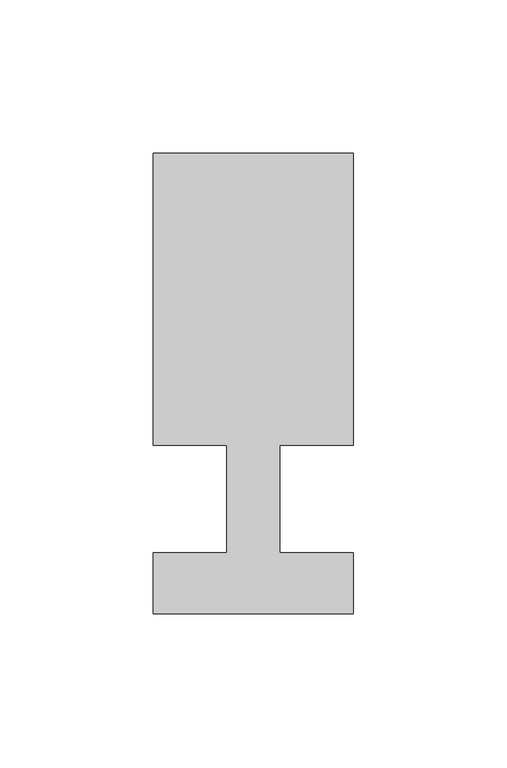
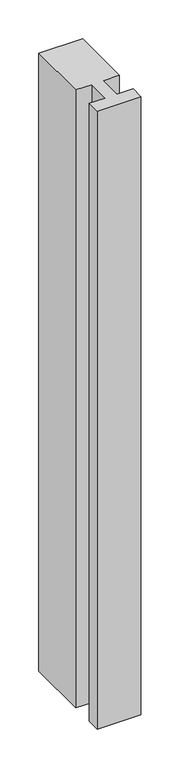
"""IFC4 building model written with IfcOpenShell, lengths in millimetres: member geometry."""

from ifc_helpers import new_model, si_unit, frame, origin, place, context, project, spatial, polyline, outline, extrude, source, transform, mapped, element, save


def member_ad4a1438(model_context):
    return source(origin(), model_context, "Body", "SweptSolid", [
        extrude(outline(polyline([(-65.0, -37.0), (-65.0, -17.0), (-41.1875, -17.0), (-41.1875, 18.0), (-65.0, 18.0), (-65.0, 113.0), (0.0, 113.0), (0.0, 18.0), (-23.8125, 18.0), (-23.8125, -17.0), (0.0, -17.0), (0.0, -37.0), (-65.0, -37.0)])), frame((0.0, 0.0, -971.5982143), z_axis=(0.0, 0.0, 1.0), x_axis=(1.0, 0.0, 0.0)), (0.0, 0.0, 1.0), 971.5982143),
    ])


if __name__ == "__main__":
    model = new_model("IFC4")
    model_context = context("Model", 3, world=origin())
    ifc_project = project(units=[si_unit("LENGTHUNIT", "METRE", prefix="MILLI")], contexts=[model_context])
    site = spatial("IfcSite", under=ifc_project)
    building = spatial("IfcBuilding", under=site)
    placement = place(None, origin())
    member_shape = member_ad4a1438(model_context)
    element("IfcMember", 1, at=placement, inside=building, context=model_context, shape_type="MappedRepresentation", body=[
        mapped(member_shape, transform((0.0, 0.0, 0.0), x_axis=(1.0, 0.0, 0.0), y_axis=(0.0, 1.0, 0.0), z_axis=(0.0, 0.0, 1.0))),
    ])
    save(model, "model.ifc")
